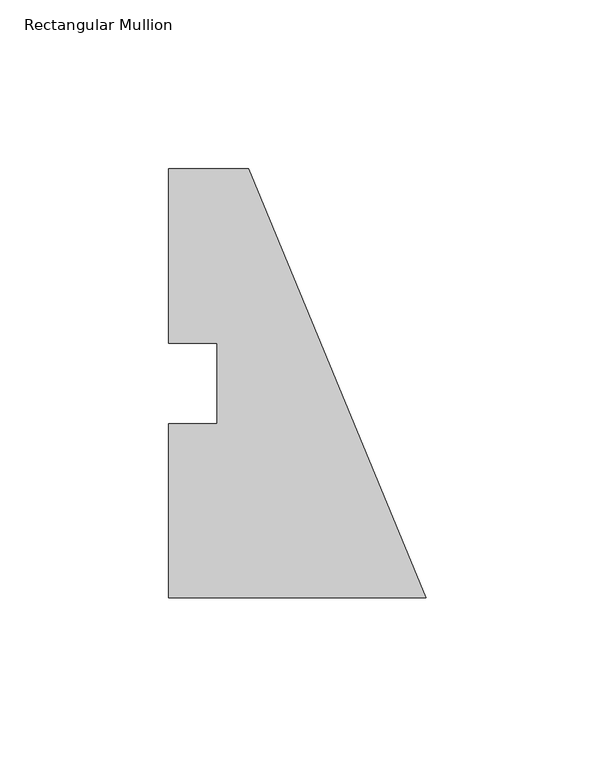
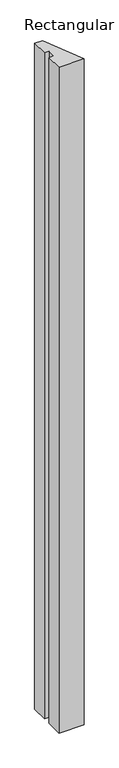
"""IFC4 building model written with IfcOpenShell, lengths in millimetres: member geometry, Rectangular Mullion."""

from ifc_helpers import new_model, si_unit, frame, origin, place, context, project, spatial, polyline, outline, extrude, source, transform, mapped, element, save


def rectangular_mullion_2c8c5a04(model_context):
    return source(origin(), model_context, "Body", "SweptSolid", [
        extrude(outline(polyline([(-76.2, 0.00635), (-76.2, 51.60645), (-61.9125, 51.60645), (-61.9125, 75.40625), (-76.2, 75.40625), (-76.2, 127.00635), (-52.6051224, 127.00635), (0.0, 0.00635), (-76.2, 0.00635)])), frame((0.0, 0.0, -2133.6), z_axis=(0.0, 0.0, 1.0), x_axis=(1.0, 0.0, 0.0)), (0.0, 0.0, 1.0), 2133.6),
    ])


if __name__ == "__main__":
    model = new_model("IFC4")
    model_context = context("Model", 3, world=origin())
    ifc_project = project(units=[si_unit("LENGTHUNIT", "METRE", prefix="MILLI")], contexts=[model_context])
    site = spatial("IfcSite", under=ifc_project)
    building = spatial("IfcBuilding", under=site)
    placement = place(None, origin())
    rectangular_mullion_shape = rectangular_mullion_2c8c5a04(model_context)
    element("IfcMember", 1, ObjectType="Rectangular Mullion", at=placement, inside=building, context=model_context, shape_type="MappedRepresentation", body=[
        mapped(rectangular_mullion_shape, transform((0.0, 0.0, 0.0), x_axis=(1.0, 0.0, 0.0), y_axis=(0.0, 1.0, 0.0), z_axis=(0.0, 0.0, 1.0))),
    ])
    save(model, "model.ifc")
